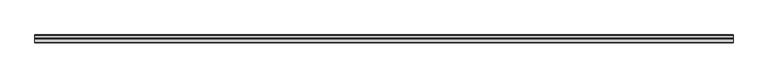
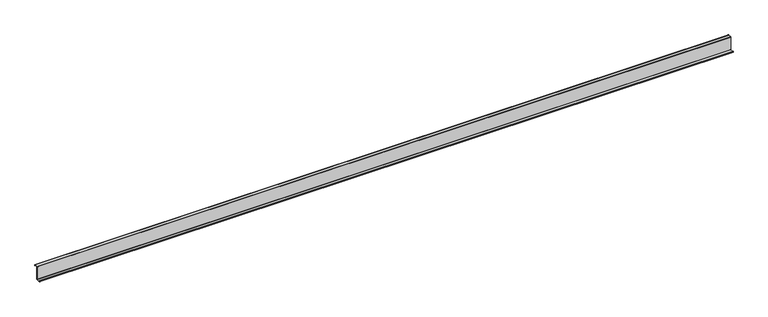
"""IFC4 building model written with IfcOpenShell, lengths in millimetres: member geometry."""

from ifc_helpers import new_model, si_unit, point, frame, frame_2d, origin, place, context, project, spatial, polyline, circle_curve, trimmed, segment, composite_curve, outline, extrude, source, transform, mapped, element, save


def member_feab75cb(model_context):
    return source(origin(), model_context, "Body", "SweptSolid", [
        extrude(outline(composite_curve([segment(trimmed(circle_curve(frame_2d((-3.5, -123.5)), 3.5), [point((0.0, -123.5))], [point((-3.5, -127.0))], False, "CARTESIAN"), True, "CONTINUOUS"), segment(polyline([(-3.5, -127.0), (-75.0, -127.0)]), True, "CONTINUOUS"), segment(trimmed(circle_curve(frame_2d((-75.0, -123.5)), 3.5), [point((-75.0, -127.0))], [point((-78.5, -123.5))], False, "CARTESIAN"), True, "CONTINUOUS"), segment(polyline([(-78.5, -123.5), (-78.5, -107.5), (-77.0, -107.5), (-77.0, -123.5)]), True, "CONTINUOUS"), segment(trimmed(circle_curve(frame_2d((-75.0, -123.5)), 2.0), [point((-77.0, -123.5))], [point((-75.0, -125.5))], True, "CARTESIAN"), True, "CONTINUOUS"), segment(polyline([(-75.0, -125.5), (-3.5, -125.5)]), True, "CONTINUOUS"), segment(trimmed(circle_curve(frame_2d((-3.5, -123.5)), 2.0), [point((-3.5, -125.5))], [point((-1.5, -123.5))], True, "CARTESIAN"), True, "CONTINUOUS"), segment(polyline([(-1.5, -123.5), (-1.5, 123.5)]), True, "CONTINUOUS"), segment(trimmed(circle_curve(frame_2d((2.0, 123.5)), 3.5), [point((-1.5, 123.5))], [point((2.0, 127.0))], False, "CARTESIAN"), True, "CONTINUOUS"), segment(polyline([(2.0, 127.0), (63.5, 127.0)]), True, "CONTINUOUS"), segment(trimmed(circle_curve(frame_2d((63.5, 123.5)), 3.5), [point((63.5, 127.0))], [point((67.0, 123.5))], False, "CARTESIAN"), True, "CONTINUOUS"), segment(polyline([(67.0, 123.5), (67.0, 107.0), (65.5, 107.0), (65.5, 123.5)]), True, "CONTINUOUS"), segment(trimmed(circle_curve(frame_2d((63.5, 123.5)), 2.0), [point((65.5, 123.5))], [point((63.5, 125.5))], True, "CARTESIAN"), True, "CONTINUOUS"), segment(polyline([(63.5, 125.5), (2.0, 125.5)]), True, "CONTINUOUS"), segment(trimmed(circle_curve(frame_2d((2.0, 123.5)), 2.0), [point((2.0, 125.5))], [point((0.0, 123.5))], True, "CARTESIAN"), True, "CONTINUOUS"), segment(polyline([(0.0, 123.5), (0.0, -123.5)]), True, "CONTINUOUS")], self_intersect=False)), frame((-6056.0, 0.0, 0.0), z_axis=(1.0, 0.0, 0.0), x_axis=(0.0, 1.0, 0.0)), (0.0, 0.0, 1.0), 13012.0),
    ])


if __name__ == "__main__":
    model = new_model("IFC4")
    model_context = context("Model", 3, world=origin())
    ifc_project = project(units=[si_unit("LENGTHUNIT", "METRE", prefix="MILLI")], contexts=[model_context])
    site = spatial("IfcSite", under=ifc_project)
    building = spatial("IfcBuilding", under=site)
    placement = place(None, origin())
    member_shape = member_feab75cb(model_context)
    element("IfcMember", 1, at=placement, inside=building, context=model_context, shape_type="MappedRepresentation", body=[
        mapped(member_shape, transform((0.0, 0.0, 0.0), x_axis=(1.0, 0.0, 0.0), y_axis=(0.0, 1.0, 0.0), z_axis=(0.0, 0.0, 1.0))),
    ])
    save(model, "model.ifc")
